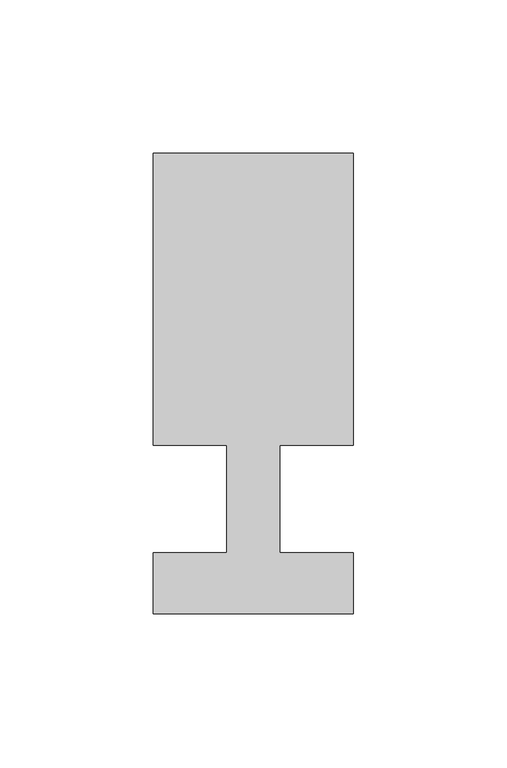
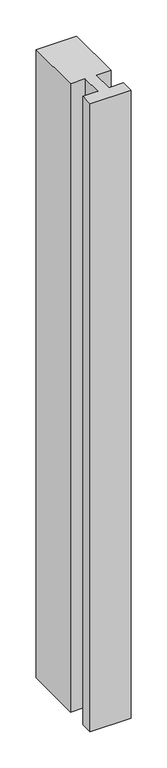
"""IFC4 building model written with IfcOpenShell, lengths in millimetres: member geometry."""

import ifcopenshell
import ifcopenshell.guid

model = None  # the IFC model being written
_history = None  # IfcOwnerHistory: only IFC2X3 demands one
_inside = {}  # id of a spatial element -> (the spatial element, [elements in it])
_under = {}  # id of a project, library or spatial element -> (it, [spatial elements below it])
_declared = {}  # id of a project -> (the project, [libraries it declares])
_typed = {}  # id of a type object -> (the type object, [elements of that type])
_made_of = {}  # id of a material, layer set ... -> (it, [elements and type objects made of it])


def new_model(schema):
    """Start an empty IFC model of exactly this schema.

    Asked for "IFC4X3", IfcOpenShell would pick the latest addendum, in which some entities
    have other attributes; the version numbers below select the first issue.
    IFC2X3 requires an IfcOwnerHistory on every rooted entity: one is made here for all.
    """
    global model, _history
    if schema == "IFC4X3":
        model = ifcopenshell.file(schema_version=(4, 3, 0, 0))
    else:
        model = ifcopenshell.file(schema=schema)
    _inside.clear()
    _under.clear()
    _declared.clear()
    _typed.clear()
    _made_of.clear()
    _history = None
    if model.schema == "IFC2X3":
        org = make("IfcOrganization", Name="unknown")
        user = make(
            "IfcPersonAndOrganization",
            ThePerson=make("IfcPerson", FamilyName="unknown"),
            TheOrganization=org,
        )
        app = make(
            "IfcApplication",
            ApplicationDeveloper=org,
            Version="unknown",
            ApplicationFullName="unknown",
            ApplicationIdentifier="unknown",
        )
        _history = make(
            "IfcOwnerHistory",
            OwningUser=user,
            OwningApplication=app,
            ChangeAction="ADDED",
            CreationDate=0,
        )
    return model


def make(cls, **values):
    """One entity of the class cls with the attributes given. An attribute that is None is left unset."""
    return model.create_entity(
        cls, **{name: value for name, value in values.items() if value is not None}
    )


def rooted(cls, **values):
    """An entity with a GlobalId (a new one), such as an element, a storey or a relation."""
    return make(cls, GlobalId=ifcopenshell.guid.new(), OwnerHistory=_history, **values)


def si_unit(unit_type, name, prefix=None):
    """IfcSIUnit, for example si_unit("LENGTHUNIT", "METRE", prefix="MILLI")."""
    return make("IfcSIUnit", UnitType=unit_type, Prefix=prefix, Name=name)


def assignment(units):
    """IfcUnitAssignment: the units of a project."""
    return None if units is None else make("IfcUnitAssignment", Units=units)


def point(xyz):
    """IfcCartesianPoint."""
    return None if xyz is None else make("IfcCartesianPoint", Coordinates=xyz)


def direction(xyz):
    """IfcDirection."""
    return None if xyz is None else make("IfcDirection", DirectionRatios=xyz)


def frame(location, z_axis=None, x_axis=None):
    """IfcAxis2Placement3D, a coordinate frame: its origin and axes. An axis left out is left unset."""
    return make(
        "IfcAxis2Placement3D",
        Location=point(location),
        Axis=direction(z_axis),
        RefDirection=direction(x_axis),
    )


def origin():
    """The frame at (0, 0, 0) with its axes left unset."""
    return frame((0.0, 0.0, 0.0))


def place(relative_to, where):
    """IfcLocalPlacement: puts the frame where relative to a parent placement (None: the world)."""
    return make(
        "IfcLocalPlacement", PlacementRelTo=relative_to, RelativePlacement=where
    )


def context(
    kind, dimensions, precision=None, world=None, true_north=None, identifier=None
):
    """IfcGeometricRepresentationContext, for example the 3D "Model" context."""
    return make(
        "IfcGeometricRepresentationContext",
        ContextIdentifier=identifier,
        ContextType=kind,
        CoordinateSpaceDimension=dimensions,
        Precision=precision,
        WorldCoordinateSystem=world,
        TrueNorth=true_north,
    )


def project(units=None, contexts=None):
    """IfcProject with its units and contexts."""
    return rooted(
        "IfcProject",
        Name="project",
        RepresentationContexts=contexts,
        UnitsInContext=assignment(units),
    )


def spatial(cls, under=None, at=None, **own):
    """A site, building, storey or space (cls), placed at a placement, below another one or the project."""
    s = rooted(cls, ObjectPlacement=at, **own)
    if under is not None:
        _under.setdefault(under.id(), (under, []))[1].append(s)
    return s


def polyline(points):
    """IfcPolyline through the points."""
    return make("IfcPolyline", Points=[point(p) for p in points])


def outline(outer, holes=None, kind="AREA"):
    """IfcArbitraryClosedProfileDef: a profile drawn as a closed curve; with holes, ...WithVoids."""
    if holes is None:
        return make("IfcArbitraryClosedProfileDef", ProfileType=kind, OuterCurve=outer)
    return make(
        "IfcArbitraryProfileDefWithVoids",
        ProfileType=kind,
        OuterCurve=outer,
        InnerCurves=holes,
    )


def extrude(swept, where, along, depth):
    """IfcExtrudedAreaSolid: the profile swept, set in the frame where, extruded along a direction by depth."""
    return make(
        "IfcExtrudedAreaSolid",
        SweptArea=swept,
        Position=where,
        ExtrudedDirection=direction(along),
        Depth=depth,
    )


def shape(context_of_items, identifier, shape_type, items):
    """IfcShapeRepresentation: the items that make up one representation, for example the "Body"."""
    return make(
        "IfcShapeRepresentation",
        ContextOfItems=context_of_items,
        RepresentationIdentifier=identifier,
        RepresentationType=shape_type,
        Items=items,
    )


def source(mapping_origin, context_of_items, identifier, shape_type, items):
    """IfcRepresentationMap: a shape defined once, which mapped items show again and again."""
    return make(
        "IfcRepresentationMap",
        MappingOrigin=mapping_origin,
        MappedRepresentation=shape(context_of_items, identifier, shape_type, items),
    )


def transform(
    local_origin,
    x_axis=None,
    y_axis=None,
    z_axis=None,
    scale=None,
    scale2=None,
    scale3=None,
    uniform=True,
):
    """IfcCartesianTransformationOperator3D, or its non-uniform kind. x_axis, y_axis, z_axis: its Axis1, 2, 3."""
    if uniform:
        return make(
            "IfcCartesianTransformationOperator3D",
            Axis1=direction(x_axis),
            Axis2=direction(y_axis),
            LocalOrigin=point(local_origin),
            Scale=scale,
            Axis3=direction(z_axis),
        )
    return make(
        "IfcCartesianTransformationOperator3DnonUniform",
        Axis1=direction(x_axis),
        Axis2=direction(y_axis),
        LocalOrigin=point(local_origin),
        Scale=scale,
        Axis3=direction(z_axis),
        Scale2=scale2,
        Scale3=scale3,
    )


def mapped(mapping_source, mapping_target):
    """IfcMappedItem: shows the shape of a source again, moved by a transform."""
    return make(
        "IfcMappedItem", MappingSource=mapping_source, MappingTarget=mapping_target
    )


def made_of(thing, what):
    """Note that an element or type object is made of a material, layer set ...; save() writes the relation."""
    if what is not None:
        _made_of.setdefault(what.id(), (what, []))[1].append(thing)
    return thing


def element(
    cls,
    number,
    at=None,
    inside=None,
    cuts=None,
    type_object=None,
    material=None,
    context=None,
    identifier="Body",
    shape_type=None,
    held_by="IfcProductDefinitionShape",
    body=None,
    shapes=None,
    **own,
):
    """One element of the class cls, such as IfcWall. Its Tag is "e" and its number.

    at: its placement. inside: the storey or other place that contains it. cuts: it is an
    opening in that element (IfcRelVoidsElement). A single representation is given by context,
    identifier, shape_type and body (its items); several are given by shapes. held_by: the class
    of the entity that holds the representations. save() writes the other relations.
    """
    e = rooted(cls, Tag="e%d" % number, ObjectPlacement=at, **own)
    if body is not None:
        shapes = [shape(context, identifier, shape_type, body)]
    if shapes is not None:
        e.Representation = make(held_by, Representations=shapes)
    if inside is not None:
        _inside.setdefault(inside.id(), (inside, []))[1].append(e)
    if cuts is not None:
        rooted(
            "IfcRelVoidsElement", RelatingBuildingElement=cuts, RelatedOpeningElement=e
        )
    if type_object is not None:
        _typed.setdefault(type_object.id(), (type_object, []))[1].append(e)
    return made_of(e, material)


def aggregate(whole, parts):
    """IfcRelAggregates: a whole, such as a stair, and the parts it consists of."""
    return rooted("IfcRelAggregates", RelatingObject=whole, RelatedObjects=parts)


def save(model, path):
    """Write the relations noted so far, then the file.

    IfcRelAggregates (storeys below a building ...), IfcRelContainedInSpatialStructure (elements
    in a storey), IfcRelDefinesByType, IfcRelAssociatesMaterial and IfcRelDeclares: one each for
    every whole, place, type object, material and project.
    """
    for whole, parts in _under.values():
        aggregate(whole, parts)
    for where, things in _inside.values():
        rooted(
            "IfcRelContainedInSpatialStructure",
            RelatedElements=things,
            RelatingStructure=where,
        )
    for kind, things in _typed.values():
        rooted("IfcRelDefinesByType", RelatedObjects=things, RelatingType=kind)
    for what, things in _made_of.values():
        rooted("IfcRelAssociatesMaterial", RelatedObjects=things, RelatingMaterial=what)
    for by, libraries in _declared.values():
        rooted("IfcRelDeclares", RelatingContext=by, RelatedDefinitions=libraries)
    model.write(path)


def member_da402cd7(model_context):
    return source(origin(), model_context, "Body", "SweptSolid", [
        extrude(outline(polyline([(-65.0, -37.0), (-65.0, -17.0), (-41.1875, -17.0), (-41.1875, 18.0), (-65.0, 18.0), (-65.0, 113.0), (0.0, 113.0), (0.0, 18.0), (-23.8125, 18.0), (-23.8125, -17.0), (0.0, -17.0), (0.0, -37.0), (-65.0, -37.0)])), frame((0.0, 0.0, -1060.0), z_axis=(0.0, 0.0, 1.0), x_axis=(1.0, 0.0, 0.0)), (0.0, 0.0, 1.0), 1060.0),
    ])


if __name__ == "__main__":
    model = new_model("IFC4")
    model_context = context("Model", 3, world=origin())
    ifc_project = project(units=[si_unit("LENGTHUNIT", "METRE", prefix="MILLI")], contexts=[model_context])
    site = spatial("IfcSite", under=ifc_project)
    building = spatial("IfcBuilding", under=site)
    placement = place(None, origin())
    member_shape = member_da402cd7(model_context)
    element("IfcMember", 1, at=placement, inside=building, context=model_context, shape_type="MappedRepresentation", body=[
        mapped(member_shape, transform((0.0, 0.0, 0.0), x_axis=(1.0, 0.0, 0.0), y_axis=(0.0, 1.0, 0.0), z_axis=(0.0, 0.0, 1.0))),
    ])
    save(model, "model.ifc")
